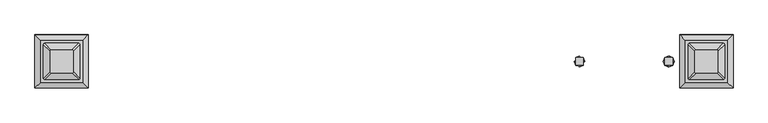
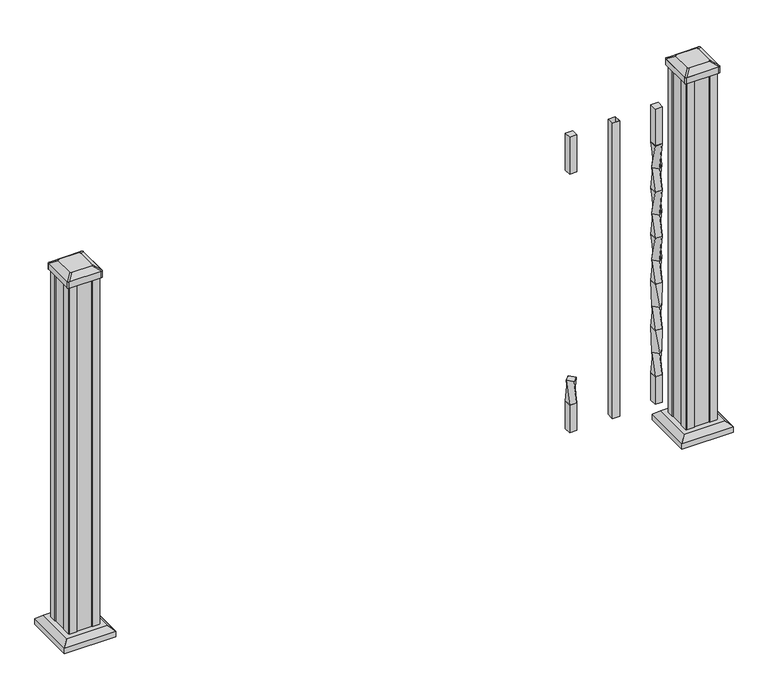
"""IFC4 building model written with IfcOpenShell, lengths in millimetres: railing geometry."""

from ifc_helpers import new_model, si_unit, point, frame, frame_2d, origin, origin_with_axes, place, context, project, spatial, polyline, circle_curve, trimmed, segment, composite_curve, outline, extrude, faceted_brep, source, transform, mapped, element, save
from ifc_brep_helpers import plane_surface, extruded_surface, spline_surface, advanced_brep


def railing_f87156d4(model_context):
    return source(origin(), model_context, "Body", "SolidModel", [
        advanced_brep(
        [(18093.1958122, -60563.4367982, 241.2958781), (18106.6661964, -60549.966414, 241.2958781), (18093.1958122, -60536.4960298, 241.2958781), (18079.725428, -60549.966414, 241.2958781), (18102.7208122, -60559.491414, 177.7958781), (18083.6708122, -60559.491414, 177.7958781), (18083.6708122, -60540.441414, 177.7958781), (18102.7208122, -60540.441414, 177.7958781)],
        [
            (0, 1),
            (1, 2),
            (2, 3),
            (3, 0),
            (4, 5),
            (5, 6),
            (6, 7),
            (7, 4),
            (7, 1),
            (0, 4),
            (6, 2),
            (5, 3),
        ],
        [
            plane_surface(frame((18093.1958122, -60549.966414, 241.2958781), z_axis=(0.0, 0.0, 1.0), x_axis=(0.7071067811865478, 0.7071067811865474, 0.0))),
            plane_surface(frame((18093.1958122, -60549.966414, 177.7958781), z_axis=(0.0, 0.0, -1.0), x_axis=(0.7071067811865478, 0.7071067811865474, 0.0))),
            spline_surface(1, 1, [[(18102.7208122, -60559.491414, 177.7958781), (18093.1958122, -60563.4367982, 241.2958781)], [(18102.7208122, -60540.441414, 177.7958781), (18106.6661964, -60549.966414, 241.2958781)]], [2, 2], [2, 2], [0.0, 1.0], [0.0, 1.0]),
            spline_surface(1, 1, [[(18102.7208122, -60540.441414, 177.7958781), (18106.6661964, -60549.966414, 241.2958781)], [(18083.6708122, -60540.441414, 177.7958781), (18093.1958122, -60536.4960298, 241.2958781)]], [2, 2], [2, 2], [0.0, 1.0], [0.0, 1.0]),
            spline_surface(1, 1, [[(18083.6708122, -60540.441414, 177.7958781), (18093.1958122, -60536.4960298, 241.2958781)], [(18083.6708122, -60559.491414, 177.7958781), (18079.725428, -60549.966414, 241.2958781)]], [2, 2], [2, 2], [0.0, 1.0], [0.0, 1.0]),
            spline_surface(1, 1, [[(18083.6708122, -60559.491414, 177.7958781), (18079.725428, -60549.966414, 241.2958781)], [(18102.7208122, -60559.491414, 177.7958781), (18093.1958122, -60563.4367982, 241.2958781)]], [2, 2], [2, 2], [0.0, 1.0], [0.0, 1.0]),
        ],
        [
            (0, [[1, 2, 3, 4]]),
            (1, [[5, 6, 7, 8]]),
            (2, [[-8, 9, -1, 10]]),
            (3, [[-7, 11, -2, -9]]),
            (4, [[-6, 12, -3, -11]]),
            (5, [[-5, -10, -4, -12]]),
        ],
    ),
        extrude(outline(polyline([(18102.7208122, -60559.491414), (18083.6708122, -60559.491414), (18083.6708122, -60540.441414), (18102.7208122, -60540.441414), (18102.7208122, -60559.491414)])), frame((0.0, 0.0, 812.7958781), z_axis=(0.0, 0.0, 1.0), x_axis=(1.0, 0.0, 0.0)), (0.0, 0.0, 1.0), 101.6041219),
        extrude(outline(polyline([(18102.7208122, -60559.491414), (18083.6708122, -60559.491414), (18083.6708122, -60540.441414), (18102.7208122, -60540.441414), (18102.7208122, -60559.491414)])), frame((0.0, 0.0, 101.5958781), z_axis=(0.0, 0.0, 1.0), x_axis=(1.0, 0.0, 0.0)), (0.0, 0.0, 1.0), 76.2),
        extrude(outline(polyline([(18213.9728122, -60559.491414), (18194.9228122, -60559.491414), (18194.9228122, -60540.441414), (18213.9728122, -60540.441414), (18213.9728122, -60559.491414)]), holes=[polyline([(18213.5759372, -60559.094539), (18213.5759372, -60540.838289), (18195.3196872, -60540.838289), (18195.3196872, -60559.094539), (18213.5759372, -60559.094539)])]), frame((0.0, 0.0, 101.5958781), z_axis=(0.0, 0.0, 1.0), x_axis=(1.0, 0.0, 0.0)), (0.0, 0.0, 1.0), 812.8041219),
        advanced_brep(
        [(18306.1748122, -60559.491414, 812.7958781), (18325.2248122, -60559.491414, 812.7958781), (18325.2248122, -60540.441414, 812.7958781), (18306.1748122, -60540.441414, 812.7958781), (18302.229428, -60549.966414, 749.2958781), (18315.6998122, -60536.4960298, 749.2958781), (18329.1701964, -60549.966414, 749.2958781), (18315.6998122, -60563.4367982, 749.2958781)],
        [
            (0, 1),
            (1, 2),
            (2, 3),
            (3, 0),
            (4, 5),
            (5, 6),
            (6, 7),
            (7, 4),
            (7, 1),
            (0, 4),
            (6, 2),
            (5, 3),
        ],
        [
            plane_surface(frame((18315.6998122, -60549.966414, 812.7958781), z_axis=(0.0, 0.0, 1.0), x_axis=(0.0, 1.0, 0.0))),
            plane_surface(frame((18315.6998122, -60549.966414, 749.2958781), z_axis=(0.0, 0.0, -1.0), x_axis=(0.0, 1.0, 0.0))),
            spline_surface(1, 1, [[(18302.229428, -60549.966414, 749.2958781), (18306.1748122, -60559.491414, 812.7958781)], [(18315.6998122, -60563.4367982, 749.2958781), (18325.2248122, -60559.491414, 812.7958781)]], [2, 2], [2, 2], [0.0, 1.0], [0.0, 1.0]),
            spline_surface(1, 1, [[(18315.6998122, -60563.4367982, 749.2958781), (18325.2248122, -60559.491414, 812.7958781)], [(18329.1701964, -60549.966414, 749.2958781), (18325.2248122, -60540.441414, 812.7958781)]], [2, 2], [2, 2], [0.0, 1.0], [0.0, 1.0]),
            spline_surface(1, 1, [[(18329.1701964, -60549.966414, 749.2958781), (18325.2248122, -60540.441414, 812.7958781)], [(18315.6998122, -60536.4960298, 749.2958781), (18306.1748122, -60540.441414, 812.7958781)]], [2, 2], [2, 2], [0.0, 1.0], [0.0, 1.0]),
            spline_surface(1, 1, [[(18315.6998122, -60536.4960298, 749.2958781), (18306.1748122, -60540.441414, 812.7958781)], [(18302.229428, -60549.966414, 749.2958781), (18306.1748122, -60559.491414, 812.7958781)]], [2, 2], [2, 2], [0.0, 1.0], [0.0, 1.0]),
        ],
        [
            (0, [[1, 2, 3, 4]]),
            (1, [[5, 6, 7, 8]]),
            (2, [[-8, 9, -1, 10]]),
            (3, [[-7, 11, -2, -9]]),
            (4, [[-6, 12, -3, -11]]),
            (5, [[-5, -10, -4, -12]]),
        ],
    ),
        advanced_brep(
        [(18315.6998122, -60563.4367982, 749.2958781), (18329.1701964, -60549.966414, 749.2958781), (18315.6998122, -60536.4960298, 749.2958781), (18302.229428, -60549.966414, 749.2958781), (18325.2248122, -60559.491414, 685.7958781), (18306.1748122, -60559.491414, 685.7958781), (18306.1748122, -60540.441414, 685.7958781), (18325.2248122, -60540.441414, 685.7958781)],
        [
            (0, 1),
            (1, 2),
            (2, 3),
            (3, 0),
            (4, 5),
            (5, 6),
            (6, 7),
            (7, 4),
            (7, 1),
            (0, 4),
            (6, 2),
            (5, 3),
        ],
        [
            plane_surface(frame((18315.6998122, -60549.966414, 749.2958781), z_axis=(0.0, 0.0, 1.0), x_axis=(0.7071067811865477, -0.7071067811865474, 0.0))),
            plane_surface(frame((18315.6998122, -60549.966414, 685.7958781), z_axis=(0.0, 0.0, -1.0), x_axis=(0.7071067811865477, -0.7071067811865474, 0.0))),
            spline_surface(1, 1, [[(18325.2248122, -60559.491414, 685.7958781), (18315.6998122, -60563.4367982, 749.2958781)], [(18325.2248122, -60540.441414, 685.7958781), (18329.1701964, -60549.966414, 749.2958781)]], [2, 2], [2, 2], [0.0, 1.0], [0.0, 1.0]),
            spline_surface(1, 1, [[(18325.2248122, -60540.441414, 685.7958781), (18329.1701964, -60549.966414, 749.2958781)], [(18306.1748122, -60540.441414, 685.7958781), (18315.6998122, -60536.4960298, 749.2958781)]], [2, 2], [2, 2], [0.0, 1.0], [0.0, 1.0]),
            spline_surface(1, 1, [[(18306.1748122, -60540.441414, 685.7958781), (18315.6998122, -60536.4960298, 749.2958781)], [(18306.1748122, -60559.491414, 685.7958781), (18302.229428, -60549.966414, 749.2958781)]], [2, 2], [2, 2], [0.0, 1.0], [0.0, 1.0]),
            spline_surface(1, 1, [[(18306.1748122, -60559.491414, 685.7958781), (18302.229428, -60549.966414, 749.2958781)], [(18325.2248122, -60559.491414, 685.7958781), (18315.6998122, -60563.4367982, 749.2958781)]], [2, 2], [2, 2], [0.0, 1.0], [0.0, 1.0]),
        ],
        [
            (0, [[1, 2, 3, 4]]),
            (1, [[5, 6, 7, 8]]),
            (2, [[-8, 9, -1, 10]]),
            (3, [[-7, 11, -2, -9]]),
            (4, [[-6, 12, -3, -11]]),
            (5, [[-5, -10, -4, -12]]),
        ],
    ),
        advanced_brep(
        [(18306.1748122, -60559.491414, 685.7958781), (18325.2248122, -60559.491414, 685.7958781), (18325.2248122, -60540.441414, 685.7958781), (18306.1748122, -60540.441414, 685.7958781), (18302.229428, -60549.966414, 622.2958781), (18315.6998122, -60536.4960298, 622.2958781), (18329.1701964, -60549.966414, 622.2958781), (18315.6998122, -60563.4367982, 622.2958781)],
        [
            (0, 1),
            (1, 2),
            (2, 3),
            (3, 0),
            (4, 5),
            (5, 6),
            (6, 7),
            (7, 4),
            (7, 1),
            (0, 4),
            (6, 2),
            (5, 3),
        ],
        [
            plane_surface(frame((18315.6998122, -60549.966414, 685.7958781), z_axis=(0.0, 0.0, 1.0), x_axis=(0.0, 1.0, 0.0))),
            plane_surface(frame((18315.6998122, -60549.966414, 622.2958781), z_axis=(0.0, 0.0, -1.0), x_axis=(0.0, 1.0, 0.0))),
            spline_surface(1, 1, [[(18302.229428, -60549.966414, 622.2958781), (18306.1748122, -60559.491414, 685.7958781)], [(18315.6998122, -60563.4367982, 622.2958781), (18325.2248122, -60559.491414, 685.7958781)]], [2, 2], [2, 2], [0.0, 1.0], [0.0, 1.0]),
            spline_surface(1, 1, [[(18315.6998122, -60563.4367982, 622.2958781), (18325.2248122, -60559.491414, 685.7958781)], [(18329.1701964, -60549.966414, 622.2958781), (18325.2248122, -60540.441414, 685.7958781)]], [2, 2], [2, 2], [0.0, 1.0], [0.0, 1.0]),
            spline_surface(1, 1, [[(18329.1701964, -60549.966414, 622.2958781), (18325.2248122, -60540.441414, 685.7958781)], [(18315.6998122, -60536.4960298, 622.2958781), (18306.1748122, -60540.441414, 685.7958781)]], [2, 2], [2, 2], [0.0, 1.0], [0.0, 1.0]),
            spline_surface(1, 1, [[(18315.6998122, -60536.4960298, 622.2958781), (18306.1748122, -60540.441414, 685.7958781)], [(18302.229428, -60549.966414, 622.2958781), (18306.1748122, -60559.491414, 685.7958781)]], [2, 2], [2, 2], [0.0, 1.0], [0.0, 1.0]),
        ],
        [
            (0, [[1, 2, 3, 4]]),
            (1, [[5, 6, 7, 8]]),
            (2, [[-8, 9, -1, 10]]),
            (3, [[-7, 11, -2, -9]]),
            (4, [[-6, 12, -3, -11]]),
            (5, [[-5, -10, -4, -12]]),
        ],
    ),
        advanced_brep(
        [(18315.6998122, -60563.4367982, 622.2958781), (18329.1701964, -60549.966414, 622.2958781), (18315.6998122, -60536.4960298, 622.2958781), (18302.229428, -60549.966414, 622.2958781), (18325.2248122, -60559.491414, 558.7958781), (18306.1748122, -60559.491414, 558.7958781), (18306.1748122, -60540.441414, 558.7958781), (18325.2248122, -60540.441414, 558.7958781)],
        [
            (0, 1),
            (1, 2),
            (2, 3),
            (3, 0),
            (4, 5),
            (5, 6),
            (6, 7),
            (7, 4),
            (7, 1),
            (0, 4),
            (6, 2),
            (5, 3),
        ],
        [
            plane_surface(frame((18315.6998122, -60549.966414, 622.2958781), z_axis=(0.0, 0.0, 1.0), x_axis=(0.7071067811865477, -0.7071067811865475, 0.0))),
            plane_surface(frame((18315.6998122, -60549.966414, 558.7958781), z_axis=(0.0, 0.0, -1.0), x_axis=(0.7071067811865477, -0.7071067811865475, 0.0))),
            spline_surface(1, 1, [[(18325.2248122, -60559.491414, 558.7958781), (18315.6998122, -60563.4367982, 622.2958781)], [(18325.2248122, -60540.441414, 558.7958781), (18329.1701964, -60549.966414, 622.2958781)]], [2, 2], [2, 2], [0.0, 1.0], [0.0, 1.0]),
            spline_surface(1, 1, [[(18325.2248122, -60540.441414, 558.7958781), (18329.1701964, -60549.966414, 622.2958781)], [(18306.1748122, -60540.441414, 558.7958781), (18315.6998122, -60536.4960298, 622.2958781)]], [2, 2], [2, 2], [0.0, 1.0], [0.0, 1.0]),
            spline_surface(1, 1, [[(18306.1748122, -60540.441414, 558.7958781), (18315.6998122, -60536.4960298, 622.2958781)], [(18306.1748122, -60559.491414, 558.7958781), (18302.229428, -60549.966414, 622.2958781)]], [2, 2], [2, 2], [0.0, 1.0], [0.0, 1.0]),
            spline_surface(1, 1, [[(18306.1748122, -60559.491414, 558.7958781), (18302.229428, -60549.966414, 622.2958781)], [(18325.2248122, -60559.491414, 558.7958781), (18315.6998122, -60563.4367982, 622.2958781)]], [2, 2], [2, 2], [0.0, 1.0], [0.0, 1.0]),
        ],
        [
            (0, [[1, 2, 3, 4]]),
            (1, [[5, 6, 7, 8]]),
            (2, [[-8, 9, -1, 10]]),
            (3, [[-7, 11, -2, -9]]),
            (4, [[-6, 12, -3, -11]]),
            (5, [[-5, -10, -4, -12]]),
        ],
    ),
        advanced_brep(
        [(18306.1748122, -60559.491414, 558.7958781), (18325.2248122, -60559.491414, 558.7958781), (18325.2248122, -60540.441414, 558.7958781), (18306.1748122, -60540.441414, 558.7958781), (18302.229428, -60549.966414, 495.2958781), (18315.6998122, -60536.4960298, 495.2958781), (18329.1701964, -60549.966414, 495.2958781), (18315.6998122, -60563.4367982, 495.2958781)],
        [
            (0, 1),
            (1, 2),
            (2, 3),
            (3, 0),
            (4, 5),
            (5, 6),
            (6, 7),
            (7, 4),
            (7, 1),
            (0, 4),
            (6, 2),
            (5, 3),
        ],
        [
            plane_surface(frame((18315.6998122, -60549.966414, 558.7958781), z_axis=(0.0, 0.0, 1.0), x_axis=(0.0, 1.0, 0.0))),
            plane_surface(frame((18315.6998122, -60549.966414, 495.2958781), z_axis=(0.0, 0.0, -1.0), x_axis=(0.0, 1.0, 0.0))),
            spline_surface(1, 1, [[(18302.229428, -60549.966414, 495.2958781), (18306.1748122, -60559.491414, 558.7958781)], [(18315.6998122, -60563.4367982, 495.2958781), (18325.2248122, -60559.491414, 558.7958781)]], [2, 2], [2, 2], [0.0, 1.0], [0.0, 1.0]),
            spline_surface(1, 1, [[(18315.6998122, -60563.4367982, 495.2958781), (18325.2248122, -60559.491414, 558.7958781)], [(18329.1701964, -60549.966414, 495.2958781), (18325.2248122, -60540.441414, 558.7958781)]], [2, 2], [2, 2], [0.0, 1.0], [0.0, 1.0]),
            spline_surface(1, 1, [[(18329.1701964, -60549.966414, 495.2958781), (18325.2248122, -60540.441414, 558.7958781)], [(18315.6998122, -60536.4960298, 495.2958781), (18306.1748122, -60540.441414, 558.7958781)]], [2, 2], [2, 2], [0.0, 1.0], [0.0, 1.0]),
            spline_surface(1, 1, [[(18315.6998122, -60536.4960298, 495.2958781), (18306.1748122, -60540.441414, 558.7958781)], [(18302.229428, -60549.966414, 495.2958781), (18306.1748122, -60559.491414, 558.7958781)]], [2, 2], [2, 2], [0.0, 1.0], [0.0, 1.0]),
        ],
        [
            (0, [[1, 2, 3, 4]]),
            (1, [[5, 6, 7, 8]]),
            (2, [[-8, 9, -1, 10]]),
            (3, [[-7, 11, -2, -9]]),
            (4, [[-6, 12, -3, -11]]),
            (5, [[-5, -10, -4, -12]]),
        ],
    ),
        advanced_brep(
        [(18315.6998122, -60563.4367982, 495.2958781), (18329.1701964, -60549.966414, 495.2958781), (18315.6998122, -60536.4960298, 495.2958781), (18302.229428, -60549.966414, 495.2958781), (18325.2248122, -60559.491414, 431.7958781), (18306.1748122, -60559.491414, 431.7958781), (18306.1748122, -60540.441414, 431.7958781), (18325.2248122, -60540.441414, 431.7958781)],
        [
            (0, 1),
            (1, 2),
            (2, 3),
            (3, 0),
            (4, 5),
            (5, 6),
            (6, 7),
            (7, 4),
            (7, 1),
            (0, 4),
            (6, 2),
            (5, 3),
        ],
        [
            plane_surface(frame((18315.6998122, -60549.966414, 495.2958781), z_axis=(0.0, 0.0, 1.0), x_axis=(0.7071067811865477, -0.7071067811865474, 0.0))),
            plane_surface(frame((18315.6998122, -60549.966414, 431.7958781), z_axis=(0.0, 0.0, -1.0), x_axis=(0.7071067811865477, -0.7071067811865474, 0.0))),
            spline_surface(1, 1, [[(18325.2248122, -60559.491414, 431.7958781), (18315.6998122, -60563.4367982, 495.2958781)], [(18325.2248122, -60540.441414, 431.7958781), (18329.1701964, -60549.966414, 495.2958781)]], [2, 2], [2, 2], [0.0, 1.0], [0.0, 1.0]),
            spline_surface(1, 1, [[(18325.2248122, -60540.441414, 431.7958781), (18329.1701964, -60549.966414, 495.2958781)], [(18306.1748122, -60540.441414, 431.7958781), (18315.6998122, -60536.4960298, 495.2958781)]], [2, 2], [2, 2], [0.0, 1.0], [0.0, 1.0]),
            spline_surface(1, 1, [[(18306.1748122, -60540.441414, 431.7958781), (18315.6998122, -60536.4960298, 495.2958781)], [(18306.1748122, -60559.491414, 431.7958781), (18302.229428, -60549.966414, 495.2958781)]], [2, 2], [2, 2], [0.0, 1.0], [0.0, 1.0]),
            spline_surface(1, 1, [[(18306.1748122, -60559.491414, 431.7958781), (18302.229428, -60549.966414, 495.2958781)], [(18325.2248122, -60559.491414, 431.7958781), (18315.6998122, -60563.4367982, 495.2958781)]], [2, 2], [2, 2], [0.0, 1.0], [0.0, 1.0]),
        ],
        [
            (0, [[1, 2, 3, 4]]),
            (1, [[5, 6, 7, 8]]),
            (2, [[-8, 9, -1, 10]]),
            (3, [[-7, 11, -2, -9]]),
            (4, [[-6, 12, -3, -11]]),
            (5, [[-5, -10, -4, -12]]),
        ],
    ),
        advanced_brep(
        [(18325.2248122, -60559.491414, 431.7958781), (18325.2248122, -60540.441414, 431.7958781), (18306.1748122, -60540.441414, 431.7958781), (18306.1748122, -60559.491414, 431.7958781), (18329.1701964, -60549.966414, 368.2958781), (18315.6998122, -60563.4367982, 368.2958781), (18302.229428, -60549.966414, 368.2958781), (18315.6998122, -60536.4960298, 368.2958781)],
        [
            (0, 1),
            (1, 2),
            (2, 3),
            (3, 0),
            (4, 5),
            (5, 6),
            (6, 7),
            (7, 4),
            (7, 1),
            (0, 4),
            (6, 2),
            (5, 3),
        ],
        [
            plane_surface(frame((18315.6998122, -60549.966414, 431.7958781), z_axis=(0.0, 0.0, 1.0), x_axis=(0.0, 1.0, 0.0))),
            plane_surface(frame((18315.6998122, -60549.966414, 368.2958781), z_axis=(0.0, 0.0, -1.0), x_axis=(0.0, 1.0, 0.0))),
            spline_surface(1, 1, [[(18329.1701964, -60549.966414, 368.2958781), (18325.2248122, -60559.491414, 431.7958781)], [(18315.6998122, -60536.4960298, 368.2958781), (18325.2248122, -60540.441414, 431.7958781)]], [2, 2], [2, 2], [0.0, 1.0], [0.0, 1.0]),
            spline_surface(1, 1, [[(18315.6998122, -60536.4960298, 368.2958781), (18325.2248122, -60540.441414, 431.7958781)], [(18302.229428, -60549.966414, 368.2958781), (18306.1748122, -60540.441414, 431.7958781)]], [2, 2], [2, 2], [0.0, 1.0], [0.0, 1.0]),
            spline_surface(1, 1, [[(18302.229428, -60549.966414, 368.2958781), (18306.1748122, -60540.441414, 431.7958781)], [(18315.6998122, -60563.4367982, 368.2958781), (18306.1748122, -60559.491414, 431.7958781)]], [2, 2], [2, 2], [0.0, 1.0], [0.0, 1.0]),
            spline_surface(1, 1, [[(18315.6998122, -60563.4367982, 368.2958781), (18306.1748122, -60559.491414, 431.7958781)], [(18329.1701964, -60549.966414, 368.2958781), (18325.2248122, -60559.491414, 431.7958781)]], [2, 2], [2, 2], [0.0, 1.0], [0.0, 1.0]),
        ],
        [
            (0, [[1, 2, 3, 4]]),
            (1, [[5, 6, 7, 8]]),
            (2, [[-8, 9, -1, 10]]),
            (3, [[-7, 11, -2, -9]]),
            (4, [[-6, 12, -3, -11]]),
            (5, [[-5, -10, -4, -12]]),
        ],
    ),
        advanced_brep(
        [(18315.6998122, -60563.4367982, 368.2958781), (18329.1701964, -60549.966414, 368.2958781), (18315.6998122, -60536.4960298, 368.2958781), (18302.229428, -60549.966414, 368.2958781), (18325.2248122, -60559.491414, 304.7958781), (18306.1748122, -60559.491414, 304.7958781), (18306.1748122, -60540.441414, 304.7958781), (18325.2248122, -60540.441414, 304.7958781)],
        [
            (0, 1),
            (1, 2),
            (2, 3),
            (3, 0),
            (4, 5),
            (5, 6),
            (6, 7),
            (7, 4),
            (7, 1),
            (0, 4),
            (6, 2),
            (5, 3),
        ],
        [
            plane_surface(frame((18315.6998122, -60549.966414, 368.2958781), z_axis=(0.0, 0.0, 1.0), x_axis=(0.7071067811865477, -0.7071067811865475, 0.0))),
            plane_surface(frame((18315.6998122, -60549.966414, 304.7958781), z_axis=(0.0, 0.0, -1.0), x_axis=(0.7071067811865477, -0.7071067811865475, 0.0))),
            spline_surface(1, 1, [[(18325.2248122, -60559.491414, 304.7958781), (18315.6998122, -60563.4367982, 368.2958781)], [(18325.2248122, -60540.441414, 304.7958781), (18329.1701964, -60549.966414, 368.2958781)]], [2, 2], [2, 2], [0.0, 1.0], [0.0, 1.0]),
            spline_surface(1, 1, [[(18325.2248122, -60540.441414, 304.7958781), (18329.1701964, -60549.966414, 368.2958781)], [(18306.1748122, -60540.441414, 304.7958781), (18315.6998122, -60536.4960298, 368.2958781)]], [2, 2], [2, 2], [0.0, 1.0], [0.0, 1.0]),
            spline_surface(1, 1, [[(18306.1748122, -60540.441414, 304.7958781), (18315.6998122, -60536.4960298, 368.2958781)], [(18306.1748122, -60559.491414, 304.7958781), (18302.229428, -60549.966414, 368.2958781)]], [2, 2], [2, 2], [0.0, 1.0], [0.0, 1.0]),
            spline_surface(1, 1, [[(18306.1748122, -60559.491414, 304.7958781), (18302.229428, -60549.966414, 368.2958781)], [(18325.2248122, -60559.491414, 304.7958781), (18315.6998122, -60563.4367982, 368.2958781)]], [2, 2], [2, 2], [0.0, 1.0], [0.0, 1.0]),
        ],
        [
            (0, [[1, 2, 3, 4]]),
            (1, [[5, 6, 7, 8]]),
            (2, [[-8, 9, -1, 10]]),
            (3, [[-7, 11, -2, -9]]),
            (4, [[-6, 12, -3, -11]]),
            (5, [[-5, -10, -4, -12]]),
        ],
    ),
        advanced_brep(
        [(18325.2248122, -60559.491414, 304.7958781), (18325.2248122, -60540.441414, 304.7958781), (18306.1748122, -60540.441414, 304.7958781), (18306.1748122, -60559.491414, 304.7958781), (18329.1701964, -60549.966414, 241.2958781), (18315.6998122, -60563.4367982, 241.2958781), (18302.229428, -60549.966414, 241.2958781), (18315.6998122, -60536.4960298, 241.2958781)],
        [
            (0, 1),
            (1, 2),
            (2, 3),
            (3, 0),
            (4, 5),
            (5, 6),
            (6, 7),
            (7, 4),
            (7, 1),
            (0, 4),
            (6, 2),
            (5, 3),
        ],
        [
            plane_surface(frame((18315.6998122, -60549.966414, 304.7958781), z_axis=(0.0, 0.0, 1.0), x_axis=(0.0, 1.0, 0.0))),
            plane_surface(frame((18315.6998122, -60549.966414, 241.2958781), z_axis=(0.0, 0.0, -1.0), x_axis=(0.0, 1.0, 0.0))),
            spline_surface(1, 1, [[(18329.1701964, -60549.966414, 241.2958781), (18325.2248122, -60559.491414, 304.7958781)], [(18315.6998122, -60536.4960298, 241.2958781), (18325.2248122, -60540.441414, 304.7958781)]], [2, 2], [2, 2], [0.0, 1.0], [0.0, 1.0]),
            spline_surface(1, 1, [[(18315.6998122, -60536.4960298, 241.2958781), (18325.2248122, -60540.441414, 304.7958781)], [(18302.229428, -60549.966414, 241.2958781), (18306.1748122, -60540.441414, 304.7958781)]], [2, 2], [2, 2], [0.0, 1.0], [0.0, 1.0]),
            spline_surface(1, 1, [[(18302.229428, -60549.966414, 241.2958781), (18306.1748122, -60540.441414, 304.7958781)], [(18315.6998122, -60563.4367982, 241.2958781), (18306.1748122, -60559.491414, 304.7958781)]], [2, 2], [2, 2], [0.0, 1.0], [0.0, 1.0]),
            spline_surface(1, 1, [[(18315.6998122, -60563.4367982, 241.2958781), (18306.1748122, -60559.491414, 304.7958781)], [(18329.1701964, -60549.966414, 241.2958781), (18325.2248122, -60559.491414, 304.7958781)]], [2, 2], [2, 2], [0.0, 1.0], [0.0, 1.0]),
        ],
        [
            (0, [[1, 2, 3, 4]]),
            (1, [[5, 6, 7, 8]]),
            (2, [[-8, 9, -1, 10]]),
            (3, [[-7, 11, -2, -9]]),
            (4, [[-6, 12, -3, -11]]),
            (5, [[-5, -10, -4, -12]]),
        ],
    ),
        advanced_brep(
        [(18315.6998122, -60563.4367982, 241.2958781), (18329.1701964, -60549.966414, 241.2958781), (18315.6998122, -60536.4960298, 241.2958781), (18302.229428, -60549.966414, 241.2958781), (18325.2248122, -60559.491414, 177.7958781), (18306.1748122, -60559.491414, 177.7958781), (18306.1748122, -60540.441414, 177.7958781), (18325.2248122, -60540.441414, 177.7958781)],
        [
            (0, 1),
            (1, 2),
            (2, 3),
            (3, 0),
            (4, 5),
            (5, 6),
            (6, 7),
            (7, 4),
            (7, 1),
            (0, 4),
            (6, 2),
            (5, 3),
        ],
        [
            plane_surface(frame((18315.6998122, -60549.966414, 241.2958781), z_axis=(0.0, 0.0, 1.0), x_axis=(0.7071067811865478, 0.7071067811865474, 0.0))),
            plane_surface(frame((18315.6998122, -60549.966414, 177.7958781), z_axis=(0.0, 0.0, -1.0), x_axis=(0.7071067811865478, 0.7071067811865474, 0.0))),
            spline_surface(1, 1, [[(18325.2248122, -60559.491414, 177.7958781), (18315.6998122, -60563.4367982, 241.2958781)], [(18325.2248122, -60540.441414, 177.7958781), (18329.1701964, -60549.966414, 241.2958781)]], [2, 2], [2, 2], [0.0, 1.0], [0.0, 1.0]),
            spline_surface(1, 1, [[(18325.2248122, -60540.441414, 177.7958781), (18329.1701964, -60549.966414, 241.2958781)], [(18306.1748122, -60540.441414, 177.7958781), (18315.6998122, -60536.4960298, 241.2958781)]], [2, 2], [2, 2], [0.0, 1.0], [0.0, 1.0]),
            spline_surface(1, 1, [[(18306.1748122, -60540.441414, 177.7958781), (18315.6998122, -60536.4960298, 241.2958781)], [(18306.1748122, -60559.491414, 177.7958781), (18302.229428, -60549.966414, 241.2958781)]], [2, 2], [2, 2], [0.0, 1.0], [0.0, 1.0]),
            spline_surface(1, 1, [[(18306.1748122, -60559.491414, 177.7958781), (18302.229428, -60549.966414, 241.2958781)], [(18325.2248122, -60559.491414, 177.7958781), (18315.6998122, -60563.4367982, 241.2958781)]], [2, 2], [2, 2], [0.0, 1.0], [0.0, 1.0]),
        ],
        [
            (0, [[1, 2, 3, 4]]),
            (1, [[5, 6, 7, 8]]),
            (2, [[-8, 9, -1, 10]]),
            (3, [[-7, 11, -2, -9]]),
            (4, [[-6, 12, -3, -11]]),
            (5, [[-5, -10, -4, -12]]),
        ],
    ),
        extrude(outline(polyline([(18325.2248122, -60559.491414), (18306.1748122, -60559.491414), (18306.1748122, -60540.441414), (18325.2248122, -60540.441414), (18325.2248122, -60559.491414)])), frame((0.0, 0.0, 812.7958781), z_axis=(0.0, 0.0, 1.0), x_axis=(1.0, 0.0, 0.0)), (0.0, 0.0, 1.0), 101.6041219),
        extrude(outline(polyline([(18325.2248122, -60559.491414), (18306.1748122, -60559.491414), (18306.1748122, -60540.441414), (18325.2248122, -60540.441414), (18325.2248122, -60559.491414)])), frame((0.0, 0.0, 101.5958781), z_axis=(0.0, 0.0, 1.0), x_axis=(1.0, 0.0, 0.0)), (0.0, 0.0, 1.0), 76.2),
        faceted_brep([(16855.2077497, -60602.5523515, 28.575), (16855.2077497, -60497.3804765, 28.575), (16750.0358747, -60497.3804765, 28.575), (16750.0358747, -60602.5523515, 28.575), (16869.2472028, -60616.5918046, 15.24), (16735.9964216, -60616.5918046, 15.24), (16735.9964216, -60483.3410234, 15.24), (16869.2472028, -60483.3410234, 15.24)], [[[0, 1, 2, 3]], [[4, 5, 6, 7]], [[4, 7, 1, 0]], [[7, 6, 2, 1]], [[6, 5, 3, 2]], [[5, 4, 0, 3]]]),
        extrude(outline(polyline([(16869.2472028, -60616.5918046), (16735.9964216, -60616.5918046), (16735.9964216, -60483.3410234), (16869.2472028, -60483.3410234), (16869.2472028, -60616.5918046)])), origin_with_axes(), (0.0, 0.0, 1.0), 15.24),
        advanced_brep(
        [(16831.5936872, -60524.169539, 1012.825), (16828.4186872, -60520.994539, 1012.825), (16776.8249372, -60520.994539, 1012.825), (16773.6499372, -60524.169539, 1012.825), (16773.6499372, -60575.763289, 1012.825), (16776.8249372, -60578.938289, 1012.825), (16828.4186872, -60578.938289, 1012.825), (16831.5936872, -60575.763289, 1012.825), (16847.8655622, -60507.897664, 1001.522), (16847.8655622, -60592.035164, 1001.522), (16844.6905622, -60595.210164, 1001.522), (16760.5530622, -60595.210164, 1001.522), (16757.3780622, -60592.035164, 1001.522), (16757.3780622, -60507.897664, 1001.522), (16760.5530622, -60504.722664, 1001.522), (16844.6905622, -60504.722664, 1001.522)],
        [
            (0, 1, circle_curve(frame((16828.4186872, -60524.169539, 1012.825), z_axis=(0.0, 0.0, 1.0), x_axis=(-1.0, 0.0, 0.0)), 3.175)),
            (1, 2),
            (2, 3, circle_curve(frame((16776.8249372, -60524.169539, 1012.825), z_axis=(0.0, 0.0, 1.0), x_axis=(-1.0, 0.0, 0.0)), 3.175)),
            (3, 4),
            (4, 5, circle_curve(frame((16776.8249372, -60575.763289, 1012.825), z_axis=(0.0, 0.0, 1.0), x_axis=(-1.0, 0.0, 0.0)), 3.175)),
            (5, 6),
            (6, 7, circle_curve(frame((16828.4186872, -60575.763289, 1012.825), z_axis=(0.0, 0.0, 1.0), x_axis=(-1.0, 0.0, 0.0)), 3.175)),
            (7, 0),
            (8, 9),
            (9, 10, circle_curve(frame((16844.6905622, -60592.035164, 1001.522), z_axis=(0.0, 0.0, -1.0), x_axis=(-1.0, 0.0, 0.0)), 3.175)),
            (10, 11),
            (11, 12, circle_curve(frame((16760.5530622, -60592.035164, 1001.522), z_axis=(0.0, 0.0, -1.0), x_axis=(-1.0, 0.0, 0.0)), 3.175)),
            (12, 13),
            (13, 14, circle_curve(frame((16760.5530622, -60507.897664, 1001.522), z_axis=(0.0, 0.0, -1.0), x_axis=(-1.0, 0.0, 0.0)), 3.175)),
            (14, 15),
            (15, 8, circle_curve(frame((16844.6905622, -60507.897664, 1001.522), z_axis=(0.0, 0.0, -1.0), x_axis=(-1.0, 0.0, 0.0)), 3.175)),
            (15, 1),
            (0, 8),
            (14, 2),
            (13, 3),
            (12, 4),
            (11, 5),
            (10, 6),
            (9, 7),
        ],
        [
            plane_surface(frame((16802.6218122, -60549.966414, 1012.825), z_axis=(0.0, 0.0, 1.0), x_axis=(0.0, 1.0, 0.0))),
            plane_surface(frame((16802.6218122, -60549.966414, 1001.522), z_axis=(0.0, 0.0, -1.0), x_axis=(0.0, 1.0, 0.0))),
            extruded_surface(trimmed(circle_curve(frame((16844.6905622, -60507.897664, 1001.522), z_axis=(0.0, 0.0, 1.0), x_axis=(-1.0, 0.0, 0.0)), 3.175), [point((16847.8655622, -60507.897664, 1001.522))], [point((16844.6905622, -60504.722664, 1001.522))], True, "CARTESIAN"), (-16.271875000002183, -16.27187500000582, 11.302999999999997), 25.63797263887124),
            plane_surface(frame((16802.6218122, -60504.722664, 1001.522), z_axis=(0.0, 0.5705009161540779, 0.8212969649690408), x_axis=(-1.0, 0.0, 0.0))),
            extruded_surface(trimmed(circle_curve(frame((16760.5530622, -60507.897664, 1001.522), z_axis=(0.0, 0.0, 1.0), x_axis=(-1.0, 0.0, 0.0)), 3.175), [point((16760.5530622, -60504.722664, 1001.522))], [point((16757.3780622, -60507.897664, 1001.522))], True, "CARTESIAN"), (16.271874999998545, -16.27187500000582, 11.302999999999997), 25.637972638868934),
            plane_surface(frame((16757.3780622, -60549.966414, 1001.522), z_axis=(-0.5705009161540291, 0.0, 0.8212969649690747), x_axis=(0.0, -1.0, 0.0))),
            extruded_surface(trimmed(circle_curve(frame((16760.5530622, -60592.035164, 1001.522), z_axis=(0.0, 0.0, 1.0), x_axis=(-1.0, 0.0, 0.0)), 3.175), [point((16757.3780622, -60592.035164, 1001.522))], [point((16760.5530622, -60595.210164, 1001.522))], True, "CARTESIAN"), (16.271874999998545, 16.271874999998545, 11.302999999999997), 25.637972638864316),
            plane_surface(frame((16802.6218122, -60595.210164, 1001.522), z_axis=(0.0, -0.5705009161540141, 0.8212969649690851), x_axis=(1.0, 0.0, 0.0))),
            extruded_surface(trimmed(circle_curve(frame((16844.6905622, -60592.035164, 1001.522), z_axis=(0.0, 0.0, 1.0), x_axis=(-1.0, 0.0, 0.0)), 3.175), [point((16844.6905622, -60595.210164, 1001.522))], [point((16847.8655622, -60592.035164, 1001.522))], True, "CARTESIAN"), (-16.271875000002183, 16.271874999998545, 11.302999999999997), 25.63797263886662),
            plane_surface(frame((16847.8655622, -60549.966414, 1001.522), z_axis=(0.570500916154034, 0.0, 0.8212969649690713), x_axis=(0.0, 1.0, 0.0))),
        ],
        [
            (0, [[1, 2, 3, 4, 5, 6, 7, 8]]),
            (1, [[9, 10, 11, 12, 13, 14, 15, 16]]),
            (2, [[-16, 17, -1, 18]]),
            (3, [[-15, 19, -2, -17]]),
            (4, [[-14, 20, -3, -19]]),
            (5, [[-13, 21, -4, -20]]),
            (6, [[-12, 22, -5, -21]]),
            (7, [[-11, 23, -6, -22]]),
            (8, [[-10, 24, -7, -23]]),
            (9, [[-9, -18, -8, -24]]),
        ],
    ),
        extrude(outline(composite_curve([segment(polyline([(16847.8655622, -60507.897664), (16847.8655622, -60592.035164)]), True, "CONTINUOUS"), segment(trimmed(circle_curve(frame_2d((16844.6905622, -60592.035164)), 3.175), [point((16847.8655622, -60592.035164))], [point((16844.6905622, -60595.210164))], False, "CARTESIAN"), True, "CONTINUOUS"), segment(polyline([(16844.6905622, -60595.210164), (16760.5530622, -60595.210164)]), True, "CONTINUOUS"), segment(trimmed(circle_curve(frame_2d((16760.5530622, -60592.035164)), 3.175), [point((16760.5530622, -60595.210164))], [point((16757.3780622, -60592.035164))], False, "CARTESIAN"), True, "CONTINUOUS"), segment(polyline([(16757.3780622, -60592.035164), (16757.3780622, -60507.897664)]), True, "CONTINUOUS"), segment(trimmed(circle_curve(frame_2d((16760.5530622, -60507.897664)), 3.175), [point((16757.3780622, -60507.897664))], [point((16760.5530622, -60504.722664))], False, "CARTESIAN"), True, "CONTINUOUS"), segment(polyline([(16760.5530622, -60504.722664), (16844.6905622, -60504.722664)]), True, "CONTINUOUS"), segment(trimmed(circle_curve(frame_2d((16844.6905622, -60507.897664)), 3.175), [point((16844.6905622, -60504.722664))], [point((16847.8655622, -60507.897664))], False, "CARTESIAN"), True, "CONTINUOUS")], self_intersect=False)), frame((0.0, 0.0, 984.25), z_axis=(0.0, 0.0, 1.0), x_axis=(1.0, 0.0, 0.0)), (0.0, 0.0, 1.0), 17.272),
        extrude(outline(polyline([(16843.8968122, -60510.278914), (16843.8968122, -60529.900414), (16842.3093122, -60530.662414), (16842.3093122, -60569.270414), (16843.8968122, -60570.032414), (16843.8968122, -60589.653914), (16842.3093122, -60591.241414), (16822.6878122, -60591.241414), (16821.9258122, -60589.653914), (16783.3178122, -60589.653914), (16782.5558122, -60591.241414), (16762.9343122, -60591.241414), (16761.3468122, -60589.653914), (16761.3468122, -60570.032414), (16762.9343122, -60569.270414), (16762.9343122, -60530.662414), (16761.3468122, -60529.900414), (16761.3468122, -60510.278914), (16762.9343122, -60508.691414), (16782.5558122, -60508.691414), (16783.3178122, -60510.278914), (16821.9258122, -60510.278914), (16822.6878122, -60508.691414), (16842.3093122, -60508.691414), (16843.8968122, -60510.278914)])), origin_with_axes(), (0.0, 0.0, 1.0), 984.25),
        faceted_brep([(18462.0117497, -60602.5523515, 28.575), (18462.0117497, -60497.3804765, 28.575), (18356.8398747, -60497.3804765, 28.575), (18356.8398747, -60602.5523515, 28.575), (18476.0512028, -60616.5918046, 15.24), (18342.8004216, -60616.5918046, 15.24), (18342.8004216, -60483.3410234, 15.24), (18476.0512028, -60483.3410234, 15.24)], [[[0, 1, 2, 3]], [[4, 5, 6, 7]], [[4, 7, 1, 0]], [[7, 6, 2, 1]], [[6, 5, 3, 2]], [[5, 4, 0, 3]]]),
        extrude(outline(polyline([(18476.0512028, -60616.5918046), (18342.8004216, -60616.5918046), (18342.8004216, -60483.3410234), (18476.0512028, -60483.3410234), (18476.0512028, -60616.5918046)])), origin_with_axes(), (0.0, 0.0, 1.0), 15.24),
        advanced_brep(
        [(18438.3976872, -60524.169539, 1012.825), (18435.2226872, -60520.994539, 1012.825), (18383.6289372, -60520.994539, 1012.825), (18380.4539372, -60524.169539, 1012.825), (18380.4539372, -60575.763289, 1012.825), (18383.6289372, -60578.938289, 1012.825), (18435.2226872, -60578.938289, 1012.825), (18438.3976872, -60575.763289, 1012.825), (18454.6695622, -60507.897664, 1001.522), (18454.6695622, -60592.035164, 1001.522), (18451.4945622, -60595.210164, 1001.522), (18367.3570622, -60595.210164, 1001.522), (18364.1820622, -60592.035164, 1001.522), (18364.1820622, -60507.897664, 1001.522), (18367.3570622, -60504.722664, 1001.522), (18451.4945622, -60504.722664, 1001.522)],
        [
            (0, 1, circle_curve(frame((18435.2226872, -60524.169539, 1012.825), z_axis=(0.0, 0.0, 1.0), x_axis=(-1.0, 0.0, 0.0)), 3.175)),
            (1, 2),
            (2, 3, circle_curve(frame((18383.6289372, -60524.169539, 1012.825), z_axis=(0.0, 0.0, 1.0), x_axis=(-1.0, 0.0, 0.0)), 3.175)),
            (3, 4),
            (4, 5, circle_curve(frame((18383.6289372, -60575.763289, 1012.825), z_axis=(0.0, 0.0, 1.0), x_axis=(-1.0, 0.0, 0.0)), 3.175)),
            (5, 6),
            (6, 7, circle_curve(frame((18435.2226872, -60575.763289, 1012.825), z_axis=(0.0, 0.0, 1.0), x_axis=(-1.0, 0.0, 0.0)), 3.175)),
            (7, 0),
            (8, 9),
            (9, 10, circle_curve(frame((18451.4945622, -60592.035164, 1001.522), z_axis=(0.0, 0.0, -1.0), x_axis=(-1.0, 0.0, 0.0)), 3.175)),
            (10, 11),
            (11, 12, circle_curve(frame((18367.3570622, -60592.035164, 1001.522), z_axis=(0.0, 0.0, -1.0), x_axis=(-1.0, 0.0, 0.0)), 3.175)),
            (12, 13),
            (13, 14, circle_curve(frame((18367.3570622, -60507.897664, 1001.522), z_axis=(0.0, 0.0, -1.0), x_axis=(-1.0, 0.0, 0.0)), 3.175)),
            (14, 15),
            (15, 8, circle_curve(frame((18451.4945622, -60507.897664, 1001.522), z_axis=(0.0, 0.0, -1.0), x_axis=(-1.0, 0.0, 0.0)), 3.175)),
            (15, 1),
            (0, 8),
            (14, 2),
            (13, 3),
            (12, 4),
            (11, 5),
            (10, 6),
            (9, 7),
        ],
        [
            plane_surface(frame((18409.4258122, -60549.966414, 1012.825), z_axis=(0.0, 0.0, 1.0), x_axis=(0.0, 1.0, 0.0))),
            plane_surface(frame((18409.4258122, -60549.966414, 1001.522), z_axis=(0.0, 0.0, -1.0), x_axis=(0.0, 1.0, 0.0))),
            extruded_surface(trimmed(circle_curve(frame((18451.4945622, -60507.897664, 1001.522), z_axis=(0.0, 0.0, 1.0), x_axis=(-1.0, 0.0, 0.0)), 3.175), [point((18454.6695622, -60507.897664, 1001.522))], [point((18451.4945622, -60504.722664, 1001.522))], True, "CARTESIAN"), (-16.271875000002183, -16.27187500000582, 11.302999999999997), 25.63797263887124),
            plane_surface(frame((18409.4258122, -60504.722664, 1001.522), z_axis=(0.0, 0.5705009161540779, 0.8212969649690408), x_axis=(-1.0, 0.0, 0.0))),
            extruded_surface(trimmed(circle_curve(frame((18367.3570622, -60507.897664, 1001.522), z_axis=(0.0, 0.0, 1.0), x_axis=(-1.0, 0.0, 0.0)), 3.175), [point((18367.3570622, -60504.722664, 1001.522))], [point((18364.1820622, -60507.897664, 1001.522))], True, "CARTESIAN"), (16.271874999998545, -16.27187500000582, 11.302999999999997), 25.637972638868934),
            plane_surface(frame((18364.1820622, -60549.966414, 1001.522), z_axis=(-0.5705009161540291, 0.0, 0.8212969649690747), x_axis=(0.0, -1.0, 0.0))),
            extruded_surface(trimmed(circle_curve(frame((18367.3570622, -60592.035164, 1001.522), z_axis=(0.0, 0.0, 1.0), x_axis=(-1.0, 0.0, 0.0)), 3.175), [point((18364.1820622, -60592.035164, 1001.522))], [point((18367.3570622, -60595.210164, 1001.522))], True, "CARTESIAN"), (16.271874999998545, 16.271874999998545, 11.302999999999997), 25.637972638864316),
            plane_surface(frame((18409.4258122, -60595.210164, 1001.522), z_axis=(0.0, -0.5705009161540141, 0.8212969649690851), x_axis=(1.0, 0.0, 0.0))),
            extruded_surface(trimmed(circle_curve(frame((18451.4945622, -60592.035164, 1001.522), z_axis=(0.0, 0.0, 1.0), x_axis=(-1.0, 0.0, 0.0)), 3.175), [point((18451.4945622, -60595.210164, 1001.522))], [point((18454.6695622, -60592.035164, 1001.522))], True, "CARTESIAN"), (-16.271875000002183, 16.271874999998545, 11.302999999999997), 25.63797263886662),
            plane_surface(frame((18454.6695622, -60549.966414, 1001.522), z_axis=(0.570500916154034, 0.0, 0.8212969649690713), x_axis=(0.0, 1.0, 0.0))),
        ],
        [
            (0, [[1, 2, 3, 4, 5, 6, 7, 8]]),
            (1, [[9, 10, 11, 12, 13, 14, 15, 16]]),
            (2, [[-16, 17, -1, 18]]),
            (3, [[-15, 19, -2, -17]]),
            (4, [[-14, 20, -3, -19]]),
            (5, [[-13, 21, -4, -20]]),
            (6, [[-12, 22, -5, -21]]),
            (7, [[-11, 23, -6, -22]]),
            (8, [[-10, 24, -7, -23]]),
            (9, [[-9, -18, -8, -24]]),
        ],
    ),
        extrude(outline(composite_curve([segment(polyline([(18454.6695622, -60507.897664), (18454.6695622, -60592.035164)]), True, "CONTINUOUS"), segment(trimmed(circle_curve(frame_2d((18451.4945622, -60592.035164)), 3.175), [point((18454.6695622, -60592.035164))], [point((18451.4945622, -60595.210164))], False, "CARTESIAN"), True, "CONTINUOUS"), segment(polyline([(18451.4945622, -60595.210164), (18367.3570622, -60595.210164)]), True, "CONTINUOUS"), segment(trimmed(circle_curve(frame_2d((18367.3570622, -60592.035164)), 3.175), [point((18367.3570622, -60595.210164))], [point((18364.1820622, -60592.035164))], False, "CARTESIAN"), True, "CONTINUOUS"), segment(polyline([(18364.1820622, -60592.035164), (18364.1820622, -60507.897664)]), True, "CONTINUOUS"), segment(trimmed(circle_curve(frame_2d((18367.3570622, -60507.897664)), 3.175), [point((18364.1820622, -60507.897664))], [point((18367.3570622, -60504.722664))], False, "CARTESIAN"), True, "CONTINUOUS"), segment(polyline([(18367.3570622, -60504.722664), (18451.4945622, -60504.722664)]), True, "CONTINUOUS"), segment(trimmed(circle_curve(frame_2d((18451.4945622, -60507.897664)), 3.175), [point((18451.4945622, -60504.722664))], [point((18454.6695622, -60507.897664))], False, "CARTESIAN"), True, "CONTINUOUS")], self_intersect=False)), frame((0.0, 0.0, 984.25), z_axis=(0.0, 0.0, 1.0), x_axis=(1.0, 0.0, 0.0)), (0.0, 0.0, 1.0), 17.272),
        extrude(outline(polyline([(18450.7008122, -60510.278914), (18450.7008122, -60529.900414), (18449.1133122, -60530.662414), (18449.1133122, -60569.270414), (18450.7008122, -60570.032414), (18450.7008122, -60589.653914), (18449.1133122, -60591.241414), (18429.4918122, -60591.241414), (18428.7298122, -60589.653914), (18390.1218122, -60589.653914), (18389.3598122, -60591.241414), (18369.7383122, -60591.241414), (18368.1508122, -60589.653914), (18368.1508122, -60570.032414), (18369.7383122, -60569.270414), (18369.7383122, -60530.662414), (18368.1508122, -60529.900414), (18368.1508122, -60510.278914), (18369.7383122, -60508.691414), (18389.3598122, -60508.691414), (18390.1218122, -60510.278914), (18428.7298122, -60510.278914), (18429.4918122, -60508.691414), (18449.1133122, -60508.691414), (18450.7008122, -60510.278914)])), origin_with_axes(), (0.0, 0.0, 1.0), 984.25),
    ])


if __name__ == "__main__":
    model = new_model("IFC4")
    model_context = context("Model", 3, world=origin())
    ifc_project = project(units=[si_unit("LENGTHUNIT", "METRE", prefix="MILLI")], contexts=[model_context])
    site = spatial("IfcSite", under=ifc_project)
    building = spatial("IfcBuilding", under=site)
    placement = place(None, origin())
    railing_shape = railing_f87156d4(model_context)
    element("IfcRailing", 1, at=placement, inside=building, context=model_context, shape_type="MappedRepresentation", body=[
        mapped(railing_shape, transform((0.0, 0.0, 0.0), x_axis=(1.0, 0.0, 0.0), y_axis=(0.0, 1.0, 0.0), z_axis=(0.0, 0.0, 1.0))),
    ])
    save(model, "model.ifc")
